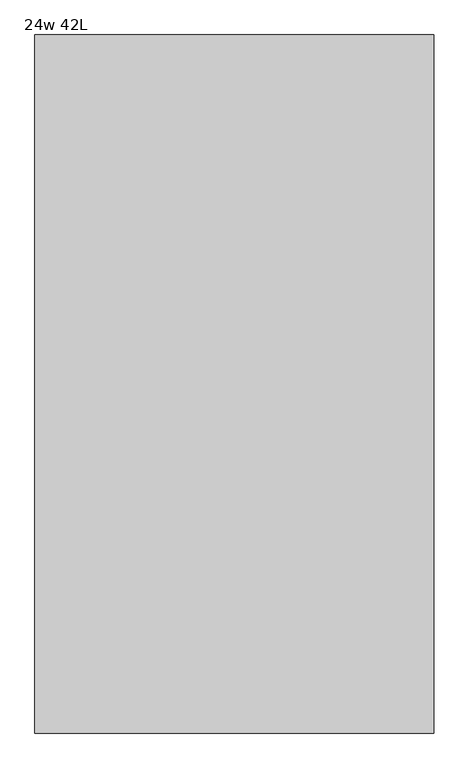
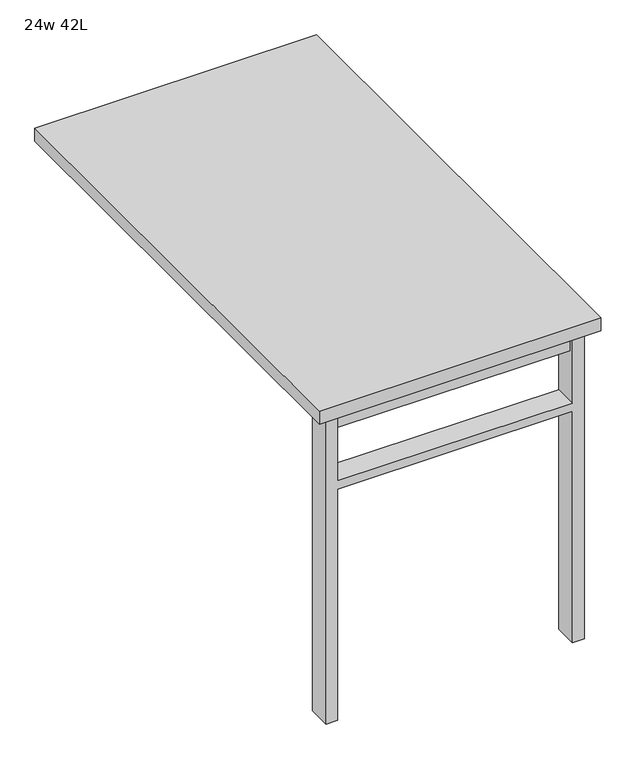
"""IFC4 building model written with IfcOpenShell, lengths in millimetres: furniture geometry, 24w 42L."""

from ifc_helpers import new_model, si_unit, frame, origin, place, context, project, spatial, polyline, outline, extrude, source, transform, mapped, element, save


def furniture_24w_42l_1be6e781(model_context):
    return source(origin(), model_context, "Body", "SweptSolid", [
        extrude(outline(polyline([(-254.0, -473.075), (254.0, -473.075), (254.0, -504.825), (-254.0, -504.825), (-254.0, -473.075)])), frame((0.0, 0.0, 661.9875), z_axis=(0.0, 0.0, 1.0), x_axis=(1.0, 0.0, 0.0)), (0.0, 0.0, 1.0), 44.45),
        extrude(outline(polyline([(528.6375, 254.0), (0.0, 254.0), (0.0, 279.4), (706.4375, 279.4), (706.4375, 254.0), (547.6875, 254.0), (547.6875, -254.0), (706.4375, -254.0), (706.4375, -279.4), (0.0, -279.4), (0.0, -254.0), (528.6375, -254.0), (528.6375, 254.0)])), frame((0.0, -514.35, 0.0), z_axis=(0.0, 1.0, 0.0), x_axis=(0.0, 0.0, 1.0)), (0.0, 0.0, 1.0), 50.8),
        extrude(outline(polyline([(-304.8, -533.4), (-304.8, 533.4), (304.8, 533.4), (304.8, -533.4), (-304.8, -533.4)])), frame((0.0, 0.0, 706.4375), z_axis=(0.0, 0.0, 1.0), x_axis=(1.0, 0.0, 0.0)), (0.0, 0.0, 1.0), 30.1625),
    ])


if __name__ == "__main__":
    model = new_model("IFC4")
    model_context = context("Model", 3, world=origin())
    ifc_project = project(units=[si_unit("LENGTHUNIT", "METRE", prefix="MILLI")], contexts=[model_context])
    site = spatial("IfcSite", under=ifc_project)
    building = spatial("IfcBuilding", under=site)
    placement = place(None, origin())
    furniture_24w_42l_shape = furniture_24w_42l_1be6e781(model_context)
    element("IfcFurniture", 1, ObjectType="24w 42L", at=placement, inside=building, context=model_context, shape_type="MappedRepresentation", body=[
        mapped(furniture_24w_42l_shape, transform((0.0, 0.0, 0.0), x_axis=(1.0, 0.0, 0.0), y_axis=(0.0, 1.0, 0.0), z_axis=(0.0, 0.0, 1.0))),
    ])
    save(model, "model.ifc")
